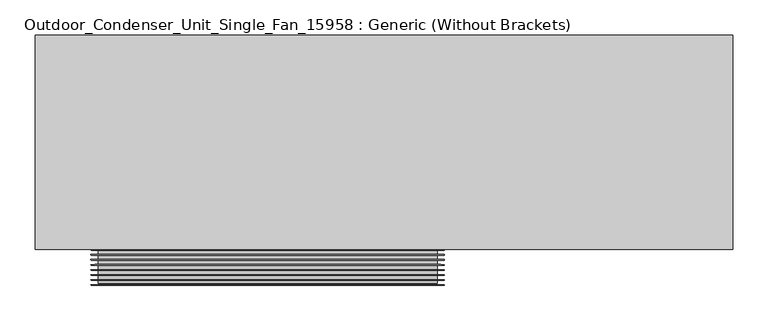
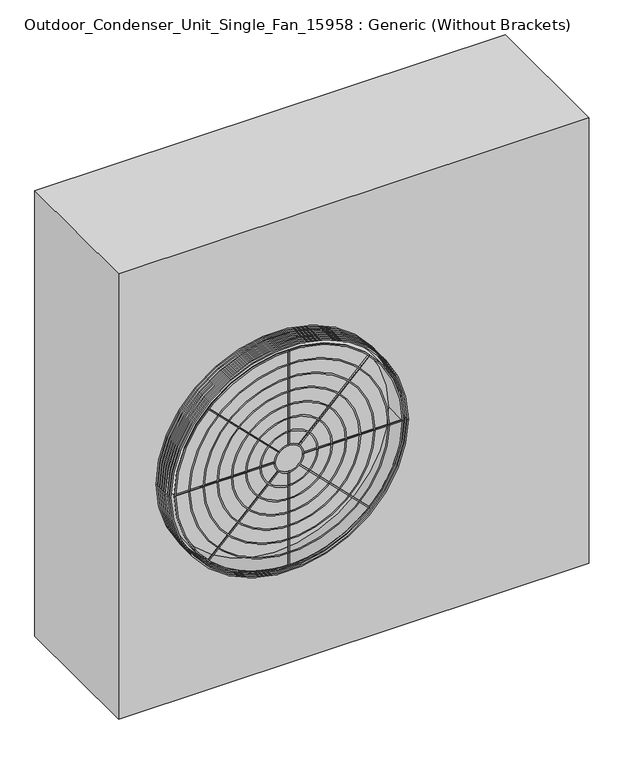
"""IFC4 building model written with IfcOpenShell, lengths in millimetres: proxy geometry, Outdoor_Condenser_Unit_Single_Fan_15958 : Generic (Without Brackets)."""

from ifc_helpers import new_model, si_unit, point, frame, frame_2d, origin, origin_with_axes, place, context, project, spatial, polyline, circle_curve, ellipse_curve, trimmed, segment, composite_curve, outline, extrude, source, transform, mapped, element, save
from ifc_brep_helpers import plane_surface, revolved_surface, advanced_brep


def outdoor_condenser_unit_single_fan_15958_generic_without_09734c06(model_context):
    return source(origin(), model_context, "Body", "SolidModel", [
        advanced_brep(
        [(-61.2085105, 0.0, 495.3), (-563.2085105, 0.0, 495.3), (-561.2085105, 0.0, 495.3), (-63.2085105, 0.0, 495.3)],
        [
            (0, 1, circle_curve(frame((-312.2085105, 0.0, 495.3), z_axis=(0.0, -1.0, 0.0), x_axis=(-1.0, 0.0, 0.0)), 251.0)),
            (1, 2, circle_curve(frame((-562.2085105, 0.0, 495.3), z_axis=(0.0, 0.0, 1.0), x_axis=(1.0, 0.0, 0.0)), 1.0)),
            (2, 3, circle_curve(frame((-312.2085105, 0.0, 495.3), z_axis=(0.0, 1.0, 0.0), x_axis=(-1.0, 0.0, 0.0)), 249.0)),
            (3, 0, circle_curve(frame((-62.2085105, 0.0, 495.3), z_axis=(0.0, 0.0, 1.0), x_axis=(-1.0, 0.0, 0.0)), 1.0)),
            (0, 1, circle_curve(frame((-312.2085105, 0.0, 495.3), z_axis=(0.0, 1.0, 0.0), x_axis=(1.0, 0.0, 0.0)), 251.0)),
            (2, 3, circle_curve(frame((-312.2085105, 0.0, 495.3), z_axis=(0.0, -1.0, 0.0), x_axis=(1.0, 0.0, 0.0)), 249.0)),
        ],
        [
            revolved_surface(trimmed(ellipse_curve(frame((-562.2085105, 0.0, 495.3), z_axis=(0.0, 0.0, -1.0), x_axis=(1.0, 0.0, 0.0)), 1.0, 1.0), [point((-561.2085105, 0.0, 495.3))], [point((-563.2085105, 0.0, 495.3))], True, "CARTESIAN"), (-312.2085105, 219.0, 495.3), (0.0, 1.0, 0.0)),
            plane_surface(frame((-312.2085105, 0.0, 495.3), z_axis=(0.0, 1.0, 0.0), x_axis=(1.0, 0.0, 0.0))),
            revolved_surface(trimmed(ellipse_curve(frame((-62.2085105, 0.0, 495.3), z_axis=(0.0, 0.0, 1.0), x_axis=(-1.0, 0.0, 0.0)), 1.0, 1.0), [point((-63.2085105, 0.0, 495.3))], [point((-61.2085105, 0.0, 495.3))], True, "CARTESIAN"), (-312.2085105, 219.0, 495.3), (0.0, 1.0, 0.0)),
        ],
        [
            (0, [[1, 2, 3, 4]]),
            (1, [[5, -1], [6, -3]]),
            (2, [[-5, -4, -6, -2]]),
        ],
    ),
        advanced_brep(
        [(-61.2085105, -7.1428571, 495.3), (-563.2085105, -7.1428571, 495.3), (-561.2085105, -7.1428571, 495.3), (-63.2085105, -7.1428571, 495.3)],
        [
            (0, 1, circle_curve(frame((-312.2085105, -7.1428571, 495.3), z_axis=(0.0, -1.0, 0.0), x_axis=(-1.0, 0.0, 0.0)), 251.0)),
            (1, 2, circle_curve(frame((-562.2085105, -7.1428571, 495.3), z_axis=(0.0, 0.0, 1.0), x_axis=(1.0, 0.0, 0.0)), 1.0)),
            (2, 3, circle_curve(frame((-312.2085105, -7.1428571, 495.3), z_axis=(0.0, 1.0, 0.0), x_axis=(-1.0, 0.0, 0.0)), 249.0)),
            (3, 0, circle_curve(frame((-62.2085105, -7.1428571, 495.3), z_axis=(0.0, 0.0, 1.0), x_axis=(-1.0, 0.0, 0.0)), 1.0)),
            (0, 1, circle_curve(frame((-312.2085105, -7.1428571, 495.3), z_axis=(0.0, 1.0, 0.0), x_axis=(1.0, 0.0, 0.0)), 251.0)),
            (2, 3, circle_curve(frame((-312.2085105, -7.1428571, 495.3), z_axis=(0.0, -1.0, 0.0), x_axis=(1.0, 0.0, 0.0)), 249.0)),
        ],
        [
            revolved_surface(trimmed(ellipse_curve(frame((-562.2085105, -7.1428571, 495.3), z_axis=(0.0, 0.0, -1.0), x_axis=(1.0, 0.0, 0.0)), 1.0, 1.0), [point((-561.2085105, -7.1428571, 495.3))], [point((-563.2085105, -7.1428571, 495.3))], True, "CARTESIAN"), (-312.2085105, 211.8571429, 495.3), (0.0, 1.0, 0.0)),
            plane_surface(frame((-312.2085105, -7.1428571, 495.3), z_axis=(0.0, 1.0, 0.0), x_axis=(1.0, 0.0, 0.0))),
            revolved_surface(trimmed(ellipse_curve(frame((-62.2085105, -7.1428571, 495.3), z_axis=(0.0, 0.0, 1.0), x_axis=(-1.0, 0.0, 0.0)), 1.0, 1.0), [point((-63.2085105, -7.1428571, 495.3))], [point((-61.2085105, -7.1428571, 495.3))], True, "CARTESIAN"), (-312.2085105, 211.8571429, 495.3), (0.0, 1.0, 0.0)),
        ],
        [
            (0, [[1, 2, 3, 4]]),
            (1, [[5, -1], [6, -3]]),
            (2, [[-5, -4, -6, -2]]),
        ],
    ),
        advanced_brep(
        [(-61.2085105, -14.2857143, 495.3), (-563.2085105, -14.2857143, 495.3), (-561.2085105, -14.2857143, 495.3), (-63.2085105, -14.2857143, 495.3)],
        [
            (0, 1, circle_curve(frame((-312.2085105, -14.2857143, 495.3), z_axis=(0.0, -1.0, 0.0), x_axis=(-1.0, 0.0, 0.0)), 251.0)),
            (1, 2, circle_curve(frame((-562.2085105, -14.2857143, 495.3), z_axis=(0.0, 0.0, 1.0), x_axis=(1.0, 0.0, 0.0)), 1.0)),
            (2, 3, circle_curve(frame((-312.2085105, -14.2857143, 495.3), z_axis=(0.0, 1.0, 0.0), x_axis=(-1.0, 0.0, 0.0)), 249.0)),
            (3, 0, circle_curve(frame((-62.2085105, -14.2857143, 495.3), z_axis=(0.0, 0.0, 1.0), x_axis=(-1.0, 0.0, 0.0)), 1.0)),
            (0, 1, circle_curve(frame((-312.2085105, -14.2857143, 495.3), z_axis=(0.0, 1.0, 0.0), x_axis=(1.0, 0.0, 0.0)), 251.0)),
            (2, 3, circle_curve(frame((-312.2085105, -14.2857143, 495.3), z_axis=(0.0, -1.0, 0.0), x_axis=(1.0, 0.0, 0.0)), 249.0)),
        ],
        [
            revolved_surface(trimmed(ellipse_curve(frame((-562.2085105, -14.2857143, 495.3), z_axis=(0.0, 0.0, -1.0), x_axis=(1.0, 0.0, 0.0)), 1.0, 1.0), [point((-561.2085105, -14.2857143, 495.3))], [point((-563.2085105, -14.2857143, 495.3))], True, "CARTESIAN"), (-312.2085105, 204.7142857, 495.3), (0.0, 1.0, 0.0)),
            plane_surface(frame((-312.2085105, -14.2857143, 495.3), z_axis=(0.0, 1.0, 0.0), x_axis=(1.0, 0.0, 0.0))),
            revolved_surface(trimmed(ellipse_curve(frame((-62.2085105, -14.2857143, 495.3), z_axis=(0.0, 0.0, 1.0), x_axis=(-1.0, 0.0, 0.0)), 1.0, 1.0), [point((-63.2085105, -14.2857143, 495.3))], [point((-61.2085105, -14.2857143, 495.3))], True, "CARTESIAN"), (-312.2085105, 204.7142857, 495.3), (0.0, 1.0, 0.0)),
        ],
        [
            (0, [[1, 2, 3, 4]]),
            (1, [[5, -1], [6, -3]]),
            (2, [[-5, -4, -6, -2]]),
        ],
    ),
        advanced_brep(
        [(-61.2085105, -21.4285714, 495.3), (-563.2085105, -21.4285714, 495.3), (-561.2085105, -21.4285714, 495.3), (-63.2085105, -21.4285714, 495.3)],
        [
            (0, 1, circle_curve(frame((-312.2085105, -21.4285714, 495.3), z_axis=(0.0, -1.0, 0.0), x_axis=(-1.0, 0.0, 0.0)), 251.0)),
            (1, 2, circle_curve(frame((-562.2085105, -21.4285714, 495.3), z_axis=(0.0, 0.0, 1.0), x_axis=(1.0, 0.0, 0.0)), 1.0)),
            (2, 3, circle_curve(frame((-312.2085105, -21.4285714, 495.3), z_axis=(0.0, 1.0, 0.0), x_axis=(-1.0, 0.0, 0.0)), 249.0)),
            (3, 0, circle_curve(frame((-62.2085105, -21.4285714, 495.3), z_axis=(0.0, 0.0, 1.0), x_axis=(-1.0, 0.0, 0.0)), 1.0)),
            (0, 1, circle_curve(frame((-312.2085105, -21.4285714, 495.3), z_axis=(0.0, 1.0, 0.0), x_axis=(1.0, 0.0, 0.0)), 251.0)),
            (2, 3, circle_curve(frame((-312.2085105, -21.4285714, 495.3), z_axis=(0.0, -1.0, 0.0), x_axis=(1.0, 0.0, 0.0)), 249.0)),
        ],
        [
            revolved_surface(trimmed(ellipse_curve(frame((-562.2085105, -21.4285714, 495.3), z_axis=(0.0, 0.0, -1.0), x_axis=(1.0, 0.0, 0.0)), 1.0, 1.0), [point((-561.2085105, -21.4285714, 495.3))], [point((-563.2085105, -21.4285714, 495.3))], True, "CARTESIAN"), (-312.2085105, 197.5714286, 495.3), (0.0, 1.0, 0.0)),
            plane_surface(frame((-312.2085105, -21.4285714, 495.3), z_axis=(0.0, 1.0, 0.0), x_axis=(1.0, 0.0, 0.0))),
            revolved_surface(trimmed(ellipse_curve(frame((-62.2085105, -21.4285714, 495.3), z_axis=(0.0, 0.0, 1.0), x_axis=(-1.0, 0.0, 0.0)), 1.0, 1.0), [point((-63.2085105, -21.4285714, 495.3))], [point((-61.2085105, -21.4285714, 495.3))], True, "CARTESIAN"), (-312.2085105, 197.5714286, 495.3), (0.0, 1.0, 0.0)),
        ],
        [
            (0, [[1, 2, 3, 4]]),
            (1, [[5, -1], [6, -3]]),
            (2, [[-5, -4, -6, -2]]),
        ],
    ),
        advanced_brep(
        [(-61.2085105, -28.5714286, 495.3), (-563.2085105, -28.5714286, 495.3), (-561.2085105, -28.5714286, 495.3), (-63.2085105, -28.5714286, 495.3)],
        [
            (0, 1, circle_curve(frame((-312.2085105, -28.5714286, 495.3), z_axis=(0.0, -1.0, 0.0), x_axis=(-1.0, 0.0, 0.0)), 251.0)),
            (1, 2, circle_curve(frame((-562.2085105, -28.5714286, 495.3), z_axis=(0.0, 0.0, 1.0), x_axis=(1.0, 0.0, 0.0)), 1.0)),
            (2, 3, circle_curve(frame((-312.2085105, -28.5714286, 495.3), z_axis=(0.0, 1.0, 0.0), x_axis=(-1.0, 0.0, 0.0)), 249.0)),
            (3, 0, circle_curve(frame((-62.2085105, -28.5714286, 495.3), z_axis=(0.0, 0.0, 1.0), x_axis=(-1.0, 0.0, 0.0)), 1.0)),
            (0, 1, circle_curve(frame((-312.2085105, -28.5714286, 495.3), z_axis=(0.0, 1.0, 0.0), x_axis=(1.0, 0.0, 0.0)), 251.0)),
            (2, 3, circle_curve(frame((-312.2085105, -28.5714286, 495.3), z_axis=(0.0, -1.0, 0.0), x_axis=(1.0, 0.0, 0.0)), 249.0)),
        ],
        [
            revolved_surface(trimmed(ellipse_curve(frame((-562.2085105, -28.5714286, 495.3), z_axis=(0.0, 0.0, -1.0), x_axis=(1.0, 0.0, 0.0)), 1.0, 1.0), [point((-561.2085105, -28.5714286, 495.3))], [point((-563.2085105, -28.5714286, 495.3))], True, "CARTESIAN"), (-312.2085105, 190.4285714, 495.3), (0.0, 1.0, 0.0)),
            plane_surface(frame((-312.2085105, -28.5714286, 495.3), z_axis=(0.0, 1.0, 0.0), x_axis=(1.0, 0.0, 0.0))),
            revolved_surface(trimmed(ellipse_curve(frame((-62.2085105, -28.5714286, 495.3), z_axis=(0.0, 0.0, 1.0), x_axis=(-1.0, 0.0, 0.0)), 1.0, 1.0), [point((-63.2085105, -28.5714286, 495.3))], [point((-61.2085105, -28.5714286, 495.3))], True, "CARTESIAN"), (-312.2085105, 190.4285714, 495.3), (0.0, 1.0, 0.0)),
        ],
        [
            (0, [[1, 2, 3, 4]]),
            (1, [[5, -1], [6, -3]]),
            (2, [[-5, -4, -6, -2]]),
        ],
    ),
        advanced_brep(
        [(-61.2085105, -35.7142857, 495.3), (-563.2085105, -35.7142857, 495.3), (-561.2085105, -35.7142857, 495.3), (-63.2085105, -35.7142857, 495.3)],
        [
            (0, 1, circle_curve(frame((-312.2085105, -35.7142857, 495.3), z_axis=(0.0, -1.0, 0.0), x_axis=(-1.0, 0.0, 0.0)), 251.0)),
            (1, 2, circle_curve(frame((-562.2085105, -35.7142857, 495.3), z_axis=(0.0, 0.0, 1.0), x_axis=(1.0, 0.0, 0.0)), 1.0)),
            (2, 3, circle_curve(frame((-312.2085105, -35.7142857, 495.3), z_axis=(0.0, 1.0, 0.0), x_axis=(-1.0, 0.0, 0.0)), 249.0)),
            (3, 0, circle_curve(frame((-62.2085105, -35.7142857, 495.3), z_axis=(0.0, 0.0, 1.0), x_axis=(-1.0, 0.0, 0.0)), 1.0)),
            (0, 1, circle_curve(frame((-312.2085105, -35.7142857, 495.3), z_axis=(0.0, 1.0, 0.0), x_axis=(1.0, 0.0, 0.0)), 251.0)),
            (2, 3, circle_curve(frame((-312.2085105, -35.7142857, 495.3), z_axis=(0.0, -1.0, 0.0), x_axis=(1.0, 0.0, 0.0)), 249.0)),
        ],
        [
            revolved_surface(trimmed(ellipse_curve(frame((-562.2085105, -35.7142857, 495.3), z_axis=(0.0, 0.0, -1.0), x_axis=(1.0, 0.0, 0.0)), 1.0, 1.0), [point((-561.2085105, -35.7142857, 495.3))], [point((-563.2085105, -35.7142857, 495.3))], True, "CARTESIAN"), (-312.2085105, 183.2857143, 495.3), (0.0, 1.0, 0.0)),
            plane_surface(frame((-312.2085105, -35.7142857, 495.3), z_axis=(0.0, 1.0, 0.0), x_axis=(1.0, 0.0, 0.0))),
            revolved_surface(trimmed(ellipse_curve(frame((-62.2085105, -35.7142857, 495.3), z_axis=(0.0, 0.0, 1.0), x_axis=(-1.0, 0.0, 0.0)), 1.0, 1.0), [point((-63.2085105, -35.7142857, 495.3))], [point((-61.2085105, -35.7142857, 495.3))], True, "CARTESIAN"), (-312.2085105, 183.2857143, 495.3), (0.0, 1.0, 0.0)),
        ],
        [
            (0, [[1, 2, 3, 4]]),
            (1, [[5, -1], [6, -3]]),
            (2, [[-5, -4, -6, -2]]),
        ],
    ),
        advanced_brep(
        [(-61.2085105, -42.8571429, 495.3), (-563.2085105, -42.8571429, 495.3), (-561.2085105, -42.8571429, 495.3), (-63.2085105, -42.8571429, 495.3)],
        [
            (0, 1, circle_curve(frame((-312.2085105, -42.8571429, 495.3), z_axis=(0.0, -1.0, 0.0), x_axis=(-1.0, 0.0, 0.0)), 251.0)),
            (1, 2, circle_curve(frame((-562.2085105, -42.8571429, 495.3), z_axis=(0.0, 0.0, 1.0), x_axis=(1.0, 0.0, 0.0)), 1.0)),
            (2, 3, circle_curve(frame((-312.2085105, -42.8571429, 495.3), z_axis=(0.0, 1.0, 0.0), x_axis=(-1.0, 0.0, 0.0)), 249.0)),
            (3, 0, circle_curve(frame((-62.2085105, -42.8571429, 495.3), z_axis=(0.0, 0.0, 1.0), x_axis=(-1.0, 0.0, 0.0)), 1.0)),
            (0, 1, circle_curve(frame((-312.2085105, -42.8571429, 495.3), z_axis=(0.0, 1.0, 0.0), x_axis=(1.0, 0.0, 0.0)), 251.0)),
            (2, 3, circle_curve(frame((-312.2085105, -42.8571429, 495.3), z_axis=(0.0, -1.0, 0.0), x_axis=(1.0, 0.0, 0.0)), 249.0)),
        ],
        [
            revolved_surface(trimmed(ellipse_curve(frame((-562.2085105, -42.8571429, 495.3), z_axis=(0.0, 0.0, -1.0), x_axis=(1.0, 0.0, 0.0)), 1.0, 1.0), [point((-561.2085105, -42.8571429, 495.3))], [point((-563.2085105, -42.8571429, 495.3))], True, "CARTESIAN"), (-312.2085105, 176.1428571, 495.3), (0.0, 1.0, 0.0)),
            plane_surface(frame((-312.2085105, -42.8571429, 495.3), z_axis=(0.0, 1.0, 0.0), x_axis=(1.0, 0.0, 0.0))),
            revolved_surface(trimmed(ellipse_curve(frame((-62.2085105, -42.8571429, 495.3), z_axis=(0.0, 0.0, 1.0), x_axis=(-1.0, 0.0, 0.0)), 1.0, 1.0), [point((-63.2085105, -42.8571429, 495.3))], [point((-61.2085105, -42.8571429, 495.3))], True, "CARTESIAN"), (-312.2085105, 176.1428571, 495.3), (0.0, 1.0, 0.0)),
        ],
        [
            (0, [[1, 2, 3, 4]]),
            (1, [[5, -1], [6, -3]]),
            (2, [[-5, -4, -6, -2]]),
        ],
    ),
        extrude(outline(polyline([(0.0, -210.0), (0.0, 0.0), (2.0, 0.0), (2.0, -210.0), (0.0, -210.0)])), frame((-291.7024138, -50.0, 473.3796898), z_axis=(0.7071067811865501, 0.0, 0.7071067811865449), x_axis=(0.0, 1.0, 0.0)), (0.0, 0.0, 1.0), 2.0),
        extrude(outline(polyline([(-72.2085105, -50.0), (-282.2085105, -50.0), (-282.2085105, -48.0), (-72.2085105, -48.0), (-72.2085105, -50.0)])), frame((0.0, 0.0, 494.3), z_axis=(0.0, 0.0, 1.0), x_axis=(1.0, 0.0, 0.0)), (0.0, 0.0, 1.0), 2.0),
        extrude(outline(composite_curve([segment(trimmed(circle_curve(frame_2d((495.3, -312.2085105)), 241.0), [point((495.3, -553.2085105))], [point((495.3, -71.2085105))], False, "CARTESIAN"), True, "CONTINUOUS"), segment(trimmed(circle_curve(frame_2d((495.3, -312.2085105)), 241.0), [point((495.3, -71.2085105))], [point((495.3, -553.2085105))], False, "CARTESIAN"), True, "CONTINUOUS")], self_intersect=False), holes=[composite_curve([segment(trimmed(circle_curve(frame_2d((495.3, -312.2085105)), 239.0), [point((495.3, -551.2085105))], [point((495.3, -73.2085105))], True, "CARTESIAN"), True, "CONTINUOUS"), segment(trimmed(circle_curve(frame_2d((495.3, -312.2085105)), 239.0), [point((495.3, -73.2085105))], [point((495.3, -551.2085105))], True, "CARTESIAN"), True, "CONTINUOUS")], self_intersect=False)]), frame((0.0, -48.0, 0.0), z_axis=(0.0, 1.0, 0.0), x_axis=(0.0, 0.0, 1.0)), (0.0, 0.0, 1.0), 48.0),
        extrude(outline(polyline([(0.0, -1.9999999), (0.0, 0.0), (2.0, 0.0), (2.0, -1.9999999), (0.0, -1.9999999)])), frame((-291.7024138, -50.0, 517.2203102), z_axis=(0.7071067811865539, 0.0, 0.7071067811865411), x_axis=(0.0, 1.0, 0.0)), (0.0, 0.0, 1.0), 210.0),
        extrude(outline(polyline([(-311.2085105, -50.0), (-313.2085105, -50.0), (-313.2085105, -48.0), (-311.2085105, -48.0), (-311.2085105, -50.0)])), frame((0.0, 0.0, 255.3), z_axis=(0.0, 0.0, 1.0), x_axis=(1.0, 0.0, 0.0)), (0.0, 0.0, 1.0), 210.0),
        extrude(outline(polyline([(0.0, -2.0000001), (0.0, 0.0), (2.0, 0.0), (2.0, -2.0000001), (0.0, -2.0000001)])), frame((-482.6212448, -50.0, 326.3014793), z_axis=(0.707106781186556, 0.0, 0.7071067811865391), x_axis=(0.0, 1.0, 0.0)), (0.0, 0.0, 1.0), 210.0),
        extrude(outline(polyline([(-342.2085105, -50.0), (-552.2085105, -50.0), (-552.2085105, -48.0), (-342.2085105, -48.0), (-342.2085105, -50.0)])), frame((0.0, 0.0, 494.3), z_axis=(0.0, 0.0, 1.0), x_axis=(1.0, 0.0, 0.0)), (0.0, 0.0, 1.0), 2.0),
        extrude(outline(polyline([(-311.2085105, -50.0), (-313.2085105, -50.0), (-313.2085105, -48.0), (-311.2085105, -48.0), (-311.2085105, -50.0)])), frame((0.0, 0.0, 525.3), z_axis=(0.0, 0.0, 1.0), x_axis=(1.0, 0.0, 0.0)), (0.0, 0.0, 1.0), 210.0),
        extrude(outline(polyline([(0.0, -210.0), (0.0, 0.0), (2.0, 0.0), (2.0, -210.0), (0.0, -210.0)])), frame((-482.6212448, -50.0, 664.2985207), z_axis=(0.7071067811865459, 0.0, 0.7071067811865492), x_axis=(0.0, 1.0, 0.0)), (0.0, 0.0, 1.0), 2.0),
        advanced_brep(
        [(-61.2085105, -50.0, 495.3), (-563.2085105, -50.0, 495.3), (-561.2085105, -50.0, 495.3), (-63.2085105, -50.0, 495.3)],
        [
            (0, 1, circle_curve(frame((-312.2085105, -50.0, 495.3), z_axis=(0.0, -1.0, 0.0), x_axis=(-1.0, 0.0, 0.0)), 251.0)),
            (1, 2, circle_curve(frame((-562.2085105, -50.0, 495.3), z_axis=(0.0, 0.0, 1.0), x_axis=(1.0, 0.0, 0.0)), 1.0)),
            (2, 3, circle_curve(frame((-312.2085105, -50.0, 495.3), z_axis=(0.0, 1.0, 0.0), x_axis=(-1.0, 0.0, 0.0)), 249.0)),
            (3, 0, circle_curve(frame((-62.2085105, -50.0, 495.3), z_axis=(0.0, 0.0, 1.0), x_axis=(-1.0, 0.0, 0.0)), 1.0)),
            (0, 1, circle_curve(frame((-312.2085105, -50.0, 495.3), z_axis=(0.0, 1.0, 0.0), x_axis=(1.0, 0.0, 0.0)), 251.0)),
            (2, 3, circle_curve(frame((-312.2085105, -50.0, 495.3), z_axis=(0.0, -1.0, 0.0), x_axis=(1.0, 0.0, 0.0)), 249.0)),
        ],
        [
            revolved_surface(trimmed(ellipse_curve(frame((-562.2085105, -50.0, 495.3), z_axis=(0.0, 0.0, -1.0), x_axis=(1.0, 0.0, 0.0)), 1.0, 1.0), [point((-561.2085105, -50.0, 495.3))], [point((-563.2085105, -50.0, 495.3))], True, "CARTESIAN"), (-312.2085105, 169.0, 495.3), (0.0, 1.0, 0.0)),
            plane_surface(frame((-312.2085105, -50.0, 495.3), z_axis=(0.0, 1.0, 0.0), x_axis=(1.0, 0.0, 0.0))),
            revolved_surface(trimmed(ellipse_curve(frame((-62.2085105, -50.0, 495.3), z_axis=(0.0, 0.0, 1.0), x_axis=(-1.0, 0.0, 0.0)), 1.0, 1.0), [point((-63.2085105, -50.0, 495.3))], [point((-61.2085105, -50.0, 495.3))], True, "CARTESIAN"), (-312.2085105, 169.0, 495.3), (0.0, 1.0, 0.0)),
        ],
        [
            (0, [[1, 2, 3, 4]]),
            (1, [[5, -1], [6, -3]]),
            (2, [[-5, -4, -6, -2]]),
        ],
    ),
        advanced_brep(
        [(-71.2085105, -50.0, 495.3), (-553.2085105, -50.0, 495.3), (-551.2085105, -50.0, 495.3), (-73.2085105, -50.0, 495.3)],
        [
            (0, 1, circle_curve(frame((-312.2085105, -50.0, 495.3), z_axis=(0.0, -1.0, 0.0), x_axis=(-1.0, 0.0, 0.0)), 241.0)),
            (1, 2, circle_curve(frame((-552.2085105, -50.0, 495.3), z_axis=(0.0, 0.0, 1.0), x_axis=(1.0, 0.0, 0.0)), 1.0)),
            (2, 3, circle_curve(frame((-312.2085105, -50.0, 495.3), z_axis=(0.0, 1.0, 0.0), x_axis=(-1.0, 0.0, 0.0)), 239.0)),
            (3, 0, circle_curve(frame((-72.2085105, -50.0, 495.3), z_axis=(0.0, 0.0, 1.0), x_axis=(-1.0, 0.0, 0.0)), 1.0)),
            (0, 1, circle_curve(frame((-312.2085105, -50.0, 495.3), z_axis=(0.0, 1.0, 0.0), x_axis=(1.0, 0.0, 0.0)), 241.0)),
            (2, 3, circle_curve(frame((-312.2085105, -50.0, 495.3), z_axis=(0.0, -1.0, 0.0), x_axis=(1.0, 0.0, 0.0)), 239.0)),
        ],
        [
            revolved_surface(trimmed(ellipse_curve(frame((-552.2085105, -50.0, 495.3), z_axis=(0.0, 0.0, -1.0), x_axis=(1.0, 0.0, 0.0)), 1.0, 1.0), [point((-551.2085105, -50.0, 495.3))], [point((-553.2085105, -50.0, 495.3))], True, "CARTESIAN"), (-312.2085105, 169.0, 495.3), (0.0, 1.0, 0.0)),
            plane_surface(frame((-312.2085105, -50.0, 495.3), z_axis=(0.0, 1.0, 0.0), x_axis=(1.0, 0.0, 0.0))),
            revolved_surface(trimmed(ellipse_curve(frame((-72.2085105, -50.0, 495.3), z_axis=(0.0, 0.0, 1.0), x_axis=(-1.0, 0.0, 0.0)), 1.0, 1.0), [point((-73.2085105, -50.0, 495.3))], [point((-71.2085105, -50.0, 495.3))], True, "CARTESIAN"), (-312.2085105, 169.0, 495.3), (0.0, 1.0, 0.0)),
        ],
        [
            (0, [[1, 2, 3, 4]]),
            (1, [[5, -1], [6, -3]]),
            (2, [[-5, -4, -6, -2]]),
        ],
    ),
        advanced_brep(
        [(-101.2085105, -50.0, 495.3), (-523.2085105, -50.0, 495.3), (-521.2085105, -50.0, 495.3), (-103.2085105, -50.0, 495.3)],
        [
            (0, 1, circle_curve(frame((-312.2085105, -50.0, 495.3), z_axis=(0.0, -1.0, 0.0), x_axis=(-1.0, 0.0, 0.0)), 211.0)),
            (1, 2, circle_curve(frame((-522.2085105, -50.0, 495.3), z_axis=(0.0, 0.0, 1.0), x_axis=(1.0, 0.0, 0.0)), 1.0)),
            (2, 3, circle_curve(frame((-312.2085105, -50.0, 495.3), z_axis=(0.0, 1.0, 0.0), x_axis=(-1.0, 0.0, 0.0)), 209.0)),
            (3, 0, circle_curve(frame((-102.2085105, -50.0, 495.3), z_axis=(0.0, 0.0, 1.0), x_axis=(-1.0, 0.0, 0.0)), 1.0)),
            (0, 1, circle_curve(frame((-312.2085105, -50.0, 495.3), z_axis=(0.0, 1.0, 0.0), x_axis=(1.0, 0.0, 0.0)), 211.0)),
            (2, 3, circle_curve(frame((-312.2085105, -50.0, 495.3), z_axis=(0.0, -1.0, 0.0), x_axis=(1.0, 0.0, 0.0)), 209.0)),
        ],
        [
            revolved_surface(trimmed(ellipse_curve(frame((-522.2085105, -50.0, 495.3), z_axis=(0.0, 0.0, -1.0), x_axis=(1.0, 0.0, 0.0)), 1.0, 1.0), [point((-521.2085105, -50.0, 495.3))], [point((-523.2085105, -50.0, 495.3))], True, "CARTESIAN"), (-312.2085105, 169.0, 495.3), (0.0, 1.0, 0.0)),
            plane_surface(frame((-312.2085105, -50.0, 495.3), z_axis=(0.0, 1.0, 0.0), x_axis=(1.0, 0.0, 0.0))),
            revolved_surface(trimmed(ellipse_curve(frame((-102.2085105, -50.0, 495.3), z_axis=(0.0, 0.0, 1.0), x_axis=(-1.0, 0.0, 0.0)), 1.0, 1.0), [point((-103.2085105, -50.0, 495.3))], [point((-101.2085105, -50.0, 495.3))], True, "CARTESIAN"), (-312.2085105, 169.0, 495.3), (0.0, 1.0, 0.0)),
        ],
        [
            (0, [[1, 2, 3, 4]]),
            (1, [[5, -1], [6, -3]]),
            (2, [[-5, -4, -6, -2]]),
        ],
    ),
        advanced_brep(
        [(-131.2085105, -50.0, 495.3), (-493.2085105, -50.0, 495.3), (-491.2085105, -50.0, 495.3), (-133.2085105, -50.0, 495.3)],
        [
            (0, 1, circle_curve(frame((-312.2085105, -50.0, 495.3), z_axis=(0.0, -1.0, 0.0), x_axis=(-1.0, 0.0, 0.0)), 181.0)),
            (1, 2, circle_curve(frame((-492.2085105, -50.0, 495.3), z_axis=(0.0, 0.0, 1.0), x_axis=(1.0, 0.0, 0.0)), 1.0)),
            (2, 3, circle_curve(frame((-312.2085105, -50.0, 495.3), z_axis=(0.0, 1.0, 0.0), x_axis=(-1.0, 0.0, 0.0)), 179.0)),
            (3, 0, circle_curve(frame((-132.2085105, -50.0, 495.3), z_axis=(0.0, 0.0, 1.0), x_axis=(-1.0, 0.0, 0.0)), 1.0)),
            (0, 1, circle_curve(frame((-312.2085105, -50.0, 495.3), z_axis=(0.0, 1.0, 0.0), x_axis=(1.0, 0.0, 0.0)), 181.0)),
            (2, 3, circle_curve(frame((-312.2085105, -50.0, 495.3), z_axis=(0.0, -1.0, 0.0), x_axis=(1.0, 0.0, 0.0)), 179.0)),
        ],
        [
            revolved_surface(trimmed(ellipse_curve(frame((-492.2085105, -50.0, 495.3), z_axis=(0.0, 0.0, -1.0), x_axis=(1.0, 0.0, 0.0)), 1.0, 1.0), [point((-491.2085105, -50.0, 495.3))], [point((-493.2085105, -50.0, 495.3))], True, "CARTESIAN"), (-312.2085105, 169.0, 495.3), (0.0, 1.0, 0.0)),
            plane_surface(frame((-312.2085105, -50.0, 495.3), z_axis=(0.0, 1.0, 0.0), x_axis=(1.0, 0.0, 0.0))),
            revolved_surface(trimmed(ellipse_curve(frame((-132.2085105, -50.0, 495.3), z_axis=(0.0, 0.0, 1.0), x_axis=(-1.0, 0.0, 0.0)), 1.0, 1.0), [point((-133.2085105, -50.0, 495.3))], [point((-131.2085105, -50.0, 495.3))], True, "CARTESIAN"), (-312.2085105, 169.0, 495.3), (0.0, 1.0, 0.0)),
        ],
        [
            (0, [[1, 2, 3, 4]]),
            (1, [[5, -1], [6, -3]]),
            (2, [[-5, -4, -6, -2]]),
        ],
    ),
        advanced_brep(
        [(-161.2085105, -50.0, 495.3), (-463.2085105, -50.0, 495.3), (-461.2085105, -50.0, 495.3), (-163.2085105, -50.0, 495.3)],
        [
            (0, 1, circle_curve(frame((-312.2085105, -50.0, 495.3), z_axis=(0.0, -1.0, 0.0), x_axis=(-1.0, 0.0, 0.0)), 151.0)),
            (1, 2, circle_curve(frame((-462.2085105, -50.0, 495.3), z_axis=(0.0, 0.0, 1.0), x_axis=(1.0, 0.0, 0.0)), 1.0)),
            (2, 3, circle_curve(frame((-312.2085105, -50.0, 495.3), z_axis=(0.0, 1.0, 0.0), x_axis=(-1.0, 0.0, 0.0)), 149.0)),
            (3, 0, circle_curve(frame((-162.2085105, -50.0, 495.3), z_axis=(0.0, 0.0, 1.0), x_axis=(-1.0, 0.0, 0.0)), 1.0)),
            (0, 1, circle_curve(frame((-312.2085105, -50.0, 495.3), z_axis=(0.0, 1.0, 0.0), x_axis=(1.0, 0.0, 0.0)), 151.0)),
            (2, 3, circle_curve(frame((-312.2085105, -50.0, 495.3), z_axis=(0.0, -1.0, 0.0), x_axis=(1.0, 0.0, 0.0)), 149.0)),
        ],
        [
            revolved_surface(trimmed(ellipse_curve(frame((-462.2085105, -50.0, 495.3), z_axis=(0.0, 0.0, -1.0), x_axis=(1.0, 0.0, 0.0)), 1.0, 1.0), [point((-461.2085105, -50.0, 495.3))], [point((-463.2085105, -50.0, 495.3))], True, "CARTESIAN"), (-312.2085105, 169.0, 495.3), (0.0, 1.0, 0.0)),
            plane_surface(frame((-312.2085105, -50.0, 495.3), z_axis=(0.0, 1.0, 0.0), x_axis=(1.0, 0.0, 0.0))),
            revolved_surface(trimmed(ellipse_curve(frame((-162.2085105, -50.0, 495.3), z_axis=(0.0, 0.0, 1.0), x_axis=(-1.0, 0.0, 0.0)), 1.0, 1.0), [point((-163.2085105, -50.0, 495.3))], [point((-161.2085105, -50.0, 495.3))], True, "CARTESIAN"), (-312.2085105, 169.0, 495.3), (0.0, 1.0, 0.0)),
        ],
        [
            (0, [[1, 2, 3, 4]]),
            (1, [[5, -1], [6, -3]]),
            (2, [[-5, -4, -6, -2]]),
        ],
    ),
        advanced_brep(
        [(-191.2085105, -50.0, 495.3), (-433.2085105, -50.0, 495.3), (-431.2085105, -50.0, 495.3), (-193.2085105, -50.0, 495.3)],
        [
            (0, 1, circle_curve(frame((-312.2085105, -50.0, 495.3), z_axis=(0.0, -1.0, 0.0), x_axis=(-1.0, 0.0, 0.0)), 121.0)),
            (1, 2, circle_curve(frame((-432.2085105, -50.0, 495.3), z_axis=(0.0, 0.0, 1.0), x_axis=(1.0, 0.0, 0.0)), 1.0)),
            (2, 3, circle_curve(frame((-312.2085105, -50.0, 495.3), z_axis=(0.0, 1.0, 0.0), x_axis=(-1.0, 0.0, 0.0)), 119.0)),
            (3, 0, circle_curve(frame((-192.2085105, -50.0, 495.3), z_axis=(0.0, 0.0, 1.0), x_axis=(-1.0, 0.0, 0.0)), 1.0)),
            (0, 1, circle_curve(frame((-312.2085105, -50.0, 495.3), z_axis=(0.0, 1.0, 0.0), x_axis=(1.0, 0.0, 0.0)), 121.0)),
            (2, 3, circle_curve(frame((-312.2085105, -50.0, 495.3), z_axis=(0.0, -1.0, 0.0), x_axis=(1.0, 0.0, 0.0)), 119.0)),
        ],
        [
            revolved_surface(trimmed(ellipse_curve(frame((-432.2085105, -50.0, 495.3), z_axis=(0.0, 0.0, -1.0), x_axis=(1.0, 0.0, 0.0)), 1.0, 1.0), [point((-431.2085105, -50.0, 495.3))], [point((-433.2085105, -50.0, 495.3))], True, "CARTESIAN"), (-312.2085105, 169.0, 495.3), (0.0, 1.0, 0.0)),
            plane_surface(frame((-312.2085105, -50.0, 495.3), z_axis=(0.0, 1.0, 0.0), x_axis=(1.0, 0.0, 0.0))),
            revolved_surface(trimmed(ellipse_curve(frame((-192.2085105, -50.0, 495.3), z_axis=(0.0, 0.0, 1.0), x_axis=(-1.0, 0.0, 0.0)), 1.0, 1.0), [point((-193.2085105, -50.0, 495.3))], [point((-191.2085105, -50.0, 495.3))], True, "CARTESIAN"), (-312.2085105, 169.0, 495.3), (0.0, 1.0, 0.0)),
        ],
        [
            (0, [[1, 2, 3, 4]]),
            (1, [[5, -1], [6, -3]]),
            (2, [[-5, -4, -6, -2]]),
        ],
    ),
        advanced_brep(
        [(-221.2085105, -50.0, 495.3), (-403.2085105, -50.0, 495.3), (-401.2085105, -50.0, 495.3), (-223.2085105, -50.0, 495.3)],
        [
            (0, 1, circle_curve(frame((-312.2085105, -50.0, 495.3), z_axis=(0.0, -1.0, 0.0), x_axis=(-1.0, 0.0, 0.0)), 91.0)),
            (1, 2, circle_curve(frame((-402.2085105, -50.0, 495.3), z_axis=(0.0, 0.0, 1.0), x_axis=(1.0, 0.0, 0.0)), 1.0)),
            (2, 3, circle_curve(frame((-312.2085105, -50.0, 495.3), z_axis=(0.0, 1.0, 0.0), x_axis=(-1.0, 0.0, 0.0)), 89.0)),
            (3, 0, circle_curve(frame((-222.2085105, -50.0, 495.3), z_axis=(0.0, 0.0, 1.0), x_axis=(-1.0, 0.0, 0.0)), 1.0)),
            (0, 1, circle_curve(frame((-312.2085105, -50.0, 495.3), z_axis=(0.0, 1.0, 0.0), x_axis=(1.0, 0.0, 0.0)), 91.0)),
            (2, 3, circle_curve(frame((-312.2085105, -50.0, 495.3), z_axis=(0.0, -1.0, 0.0), x_axis=(1.0, 0.0, 0.0)), 89.0)),
        ],
        [
            revolved_surface(trimmed(ellipse_curve(frame((-402.2085105, -50.0, 495.3), z_axis=(0.0, 0.0, -1.0), x_axis=(1.0, 0.0, 0.0)), 1.0, 1.0), [point((-401.2085105, -50.0, 495.3))], [point((-403.2085105, -50.0, 495.3))], True, "CARTESIAN"), (-312.2085105, 169.0, 495.3), (0.0, 1.0, 0.0)),
            plane_surface(frame((-312.2085105, -50.0, 495.3), z_axis=(0.0, 1.0, 0.0), x_axis=(1.0, 0.0, 0.0))),
            revolved_surface(trimmed(ellipse_curve(frame((-222.2085105, -50.0, 495.3), z_axis=(0.0, 0.0, 1.0), x_axis=(-1.0, 0.0, 0.0)), 1.0, 1.0), [point((-223.2085105, -50.0, 495.3))], [point((-221.2085105, -50.0, 495.3))], True, "CARTESIAN"), (-312.2085105, 169.0, 495.3), (0.0, 1.0, 0.0)),
        ],
        [
            (0, [[1, 2, 3, 4]]),
            (1, [[5, -1], [6, -3]]),
            (2, [[-5, -4, -6, -2]]),
        ],
    ),
        advanced_brep(
        [(-251.2085105, -50.0, 495.3), (-373.2085105, -50.0, 495.3), (-371.2085105, -50.0, 495.3), (-253.2085105, -50.0, 495.3)],
        [
            (0, 1, circle_curve(frame((-312.2085105, -50.0, 495.3), z_axis=(0.0, -1.0, 0.0), x_axis=(-1.0, 0.0, 0.0)), 61.0)),
            (1, 2, circle_curve(frame((-372.2085105, -50.0, 495.3), z_axis=(0.0, 0.0, 1.0), x_axis=(1.0, 0.0, 0.0)), 1.0)),
            (2, 3, circle_curve(frame((-312.2085105, -50.0, 495.3), z_axis=(0.0, 1.0, 0.0), x_axis=(-1.0, 0.0, 0.0)), 59.0)),
            (3, 0, circle_curve(frame((-252.2085105, -50.0, 495.3), z_axis=(0.0, 0.0, 1.0), x_axis=(-1.0, 0.0, 0.0)), 1.0)),
            (0, 1, circle_curve(frame((-312.2085105, -50.0, 495.3), z_axis=(0.0, 1.0, 0.0), x_axis=(1.0, 0.0, 0.0)), 61.0)),
            (2, 3, circle_curve(frame((-312.2085105, -50.0, 495.3), z_axis=(0.0, -1.0, 0.0), x_axis=(1.0, 0.0, 0.0)), 59.0)),
        ],
        [
            revolved_surface(trimmed(ellipse_curve(frame((-372.2085105, -50.0, 495.3), z_axis=(0.0, 0.0, -1.0), x_axis=(1.0, 0.0, 0.0)), 1.0, 1.0), [point((-371.2085105, -50.0, 495.3))], [point((-373.2085105, -50.0, 495.3))], True, "CARTESIAN"), (-312.2085105, 169.0, 495.3), (0.0, 1.0, 0.0)),
            plane_surface(frame((-312.2085105, -50.0, 495.3), z_axis=(0.0, 1.0, 0.0), x_axis=(1.0, 0.0, 0.0))),
            revolved_surface(trimmed(ellipse_curve(frame((-252.2085105, -50.0, 495.3), z_axis=(0.0, 0.0, 1.0), x_axis=(-1.0, 0.0, 0.0)), 1.0, 1.0), [point((-253.2085105, -50.0, 495.3))], [point((-251.2085105, -50.0, 495.3))], True, "CARTESIAN"), (-312.2085105, 169.0, 495.3), (0.0, 1.0, 0.0)),
        ],
        [
            (0, [[1, 2, 3, 4]]),
            (1, [[5, -1], [6, -3]]),
            (2, [[-5, -4, -6, -2]]),
        ],
    ),
        advanced_brep(
        [(-281.2085105, -50.0, 495.3), (-343.2085105, -50.0, 495.3), (-341.2085105, -50.0, 495.3), (-283.2085105, -50.0, 495.3)],
        [
            (0, 1, circle_curve(frame((-312.2085105, -50.0, 495.3), z_axis=(0.0, -1.0, 0.0), x_axis=(-1.0, 0.0, 0.0)), 31.0)),
            (1, 2, circle_curve(frame((-342.2085105, -50.0, 495.3), z_axis=(0.0, 0.0, 1.0), x_axis=(1.0, 0.0, 0.0)), 1.0)),
            (2, 3, circle_curve(frame((-312.2085105, -50.0, 495.3), z_axis=(0.0, 1.0, 0.0), x_axis=(-1.0, 0.0, 0.0)), 29.0)),
            (3, 0, circle_curve(frame((-282.2085105, -50.0, 495.3), z_axis=(0.0, 0.0, 1.0), x_axis=(-1.0, 0.0, 0.0)), 1.0)),
            (0, 1, circle_curve(frame((-312.2085105, -50.0, 495.3), z_axis=(0.0, 1.0, 0.0), x_axis=(1.0, 0.0, 0.0)), 31.0)),
            (2, 3, circle_curve(frame((-312.2085105, -50.0, 495.3), z_axis=(0.0, -1.0, 0.0), x_axis=(1.0, 0.0, 0.0)), 29.0)),
        ],
        [
            revolved_surface(trimmed(ellipse_curve(frame((-342.2085105, -50.0, 495.3), z_axis=(0.0, 0.0, -1.0), x_axis=(1.0, 0.0, 0.0)), 1.0, 1.0), [point((-341.2085105, -50.0, 495.3))], [point((-343.2085105, -50.0, 495.3))], True, "CARTESIAN"), (-312.2085105, 169.0, 495.3), (0.0, 1.0, 0.0)),
            plane_surface(frame((-312.2085105, -50.0, 495.3), z_axis=(0.0, 1.0, 0.0), x_axis=(1.0, 0.0, 0.0))),
            revolved_surface(trimmed(ellipse_curve(frame((-282.2085105, -50.0, 495.3), z_axis=(0.0, 0.0, 1.0), x_axis=(-1.0, 0.0, 0.0)), 1.0, 1.0), [point((-283.2085105, -50.0, 495.3))], [point((-281.2085105, -50.0, 495.3))], True, "CARTESIAN"), (-312.2085105, 169.0, 495.3), (0.0, 1.0, 0.0)),
        ],
        [
            (0, [[1, 2, 3, 4]]),
            (1, [[5, -1], [6, -3]]),
            (2, [[-5, -4, -6, -2]]),
        ],
    ),
        extrude(outline(polyline([(348.1914895, 0.0), (-642.4085105, 0.0), (-642.4085105, 304.8), (348.1914895, 304.8), (348.1914895, 0.0)])), origin_with_axes(), (0.0, 0.0, 1.0), 990.6),
    ])


if __name__ == "__main__":
    model = new_model("IFC4")
    model_context = context("Model", 3, world=origin())
    ifc_project = project(units=[si_unit("LENGTHUNIT", "METRE", prefix="MILLI")], contexts=[model_context])
    site = spatial("IfcSite", under=ifc_project)
    building = spatial("IfcBuilding", under=site)
    placement = place(None, origin())
    outdoor_condenser_unit_single_fan_15958_generic_without_shape = outdoor_condenser_unit_single_fan_15958_generic_without_09734c06(model_context)
    element("IfcBuildingElementProxy", 1, Name="Outdoor_Condenser_Unit_Single_Fan_15958 : Generic (Without Brackets)", ObjectType="Outdoor_Condenser_Unit_Single_Fan_15958 : Generic (Without Brackets)", at=placement, inside=building, context=model_context, shape_type="MappedRepresentation", body=[
        mapped(outdoor_condenser_unit_single_fan_15958_generic_without_shape, transform((0.0, 0.0, 0.0), x_axis=(1.0, 0.0, 0.0), y_axis=(0.0, 1.0, 0.0), z_axis=(0.0, 0.0, 1.0))),
    ])
    save(model, "model.ifc")
